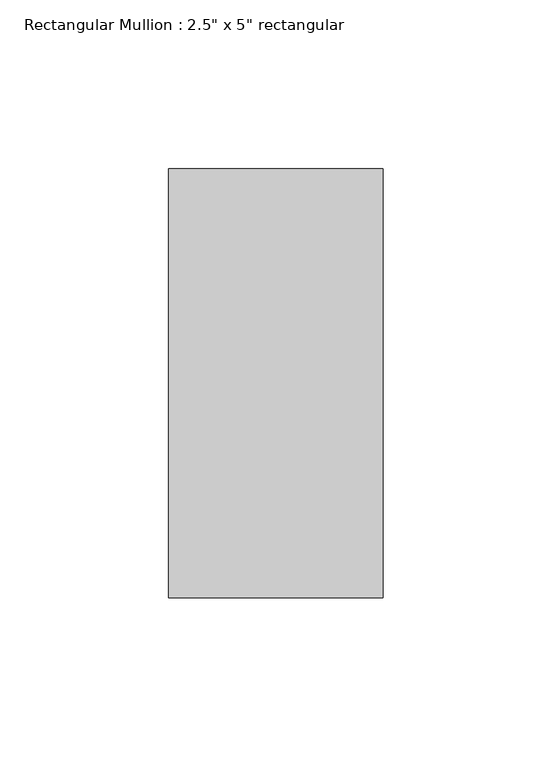
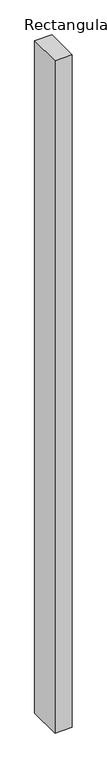
"""IFC4 building model written with IfcOpenShell, lengths in millimetres: member geometry."""

from ifc_helpers import new_model, si_unit, frame, origin, place, context, project, spatial, polyline, outline, extrude, source, transform, mapped, element, save


def member_a7f00a6c(model_context):
    return source(origin(), model_context, "Body", "SweptSolid", [
        extrude(outline(polyline([(0.0, 63.5), (0.0, -63.5), (-63.5, -63.5), (-63.5, 63.5), (0.0, 63.5)])), frame((0.0, 0.0, -2587.7174361), z_axis=(0.0, 0.0, 1.0), x_axis=(1.0, 0.0, 0.0)), (0.0, 0.0, 1.0), 2587.7174361),
    ])


if __name__ == "__main__":
    model = new_model("IFC4")
    model_context = context("Model", 3, world=origin())
    ifc_project = project(units=[si_unit("LENGTHUNIT", "METRE", prefix="MILLI")], contexts=[model_context])
    site = spatial("IfcSite", under=ifc_project)
    building = spatial("IfcBuilding", under=site)
    placement = place(None, origin())
    member_shape = member_a7f00a6c(model_context)
    element("IfcMember", 1, ObjectType="Rectangular Mullion : 2.5\" x 5\" rectangular", at=placement, inside=building, context=model_context, shape_type="MappedRepresentation", body=[
        mapped(member_shape, transform((0.0, 0.0, 0.0), x_axis=(1.0, 0.0, 0.0), y_axis=(0.0, 1.0, 0.0), z_axis=(0.0, 0.0, 1.0))),
    ])
    save(model, "model.ifc")
